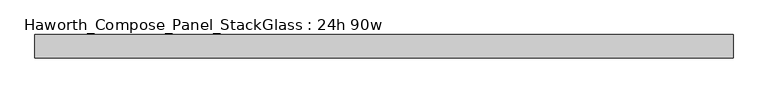
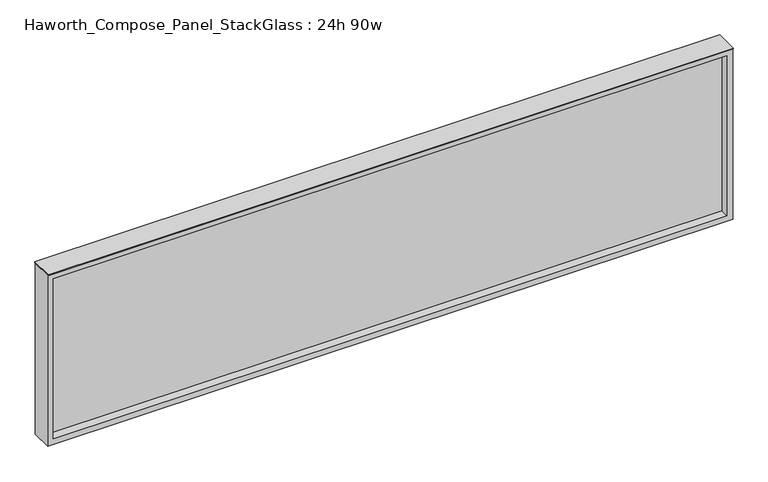
"""IFC4 building model written with IfcOpenShell, lengths in millimetres: furniture geometry, Haworth_Compose_Panel_StackGlass : 24h 90w."""

from ifc_helpers import new_model, si_unit, frame, origin, place, context, project, spatial, polyline, outline, extrude, source, transform, mapped, element, save


def haworth_compose_panel_stackglass_24h_90w_4d1c25b8(model_context):
    return source(origin(), model_context, "Body", "SweptSolid", [
        extrude(outline(polyline([(1126.3902902, -6.35), (-1121.5097098, -6.35), (-1121.5097098, 6.35), (1126.3902902, 6.35), (1126.3902902, -6.35)])), frame((0.0, 0.0, 1085.85), z_axis=(0.0, 0.0, 1.0), x_axis=(1.0, 0.0, 0.0)), (0.0, 0.0, 1.0), 565.15),
        extrude(outline(polyline([(1670.05, -1140.5597098), (1066.8, -1140.5597098), (1066.8, 1145.4402902), (1670.05, 1145.4402902), (1670.05, -1140.5597098)]), holes=[polyline([(1651.0, 1126.3902902), (1085.85, 1126.3902902), (1085.85, -1121.5097098), (1651.0, -1121.5097098), (1651.0, 1126.3902902)])]), frame((0.0, -34.925, 0.0), z_axis=(0.0, 1.0, 0.0), x_axis=(0.0, 0.0, 1.0)), (0.0, 0.0, 1.0), 69.85),
        extrude(outline(polyline([(-1140.5597098, -38.1), (-1140.5597098, 38.1), (1145.4402902, 38.1), (1145.4402902, -38.1), (-1140.5597098, -38.1)])), frame((0.0, 0.0, 1670.05), z_axis=(0.0, 0.0, 1.0), x_axis=(1.0, 0.0, 0.0)), (0.0, 0.0, 1.0), 3.175),
    ])


if __name__ == "__main__":
    model = new_model("IFC4")
    model_context = context("Model", 3, world=origin())
    ifc_project = project(units=[si_unit("LENGTHUNIT", "METRE", prefix="MILLI")], contexts=[model_context])
    site = spatial("IfcSite", under=ifc_project)
    building = spatial("IfcBuilding", under=site)
    placement = place(None, origin())
    haworth_compose_panel_stackglass_24h_90w_shape = haworth_compose_panel_stackglass_24h_90w_4d1c25b8(model_context)
    element("IfcFurniture", 1, ObjectType="Haworth_Compose_Panel_StackGlass : 24h 90w", at=placement, inside=building, context=model_context, shape_type="MappedRepresentation", body=[
        mapped(haworth_compose_panel_stackglass_24h_90w_shape, transform((0.0, 0.0, 0.0), x_axis=(1.0, 0.0, 0.0), y_axis=(0.0, 1.0, 0.0), z_axis=(0.0, 0.0, 1.0))),
    ])
    save(model, "model.ifc")
